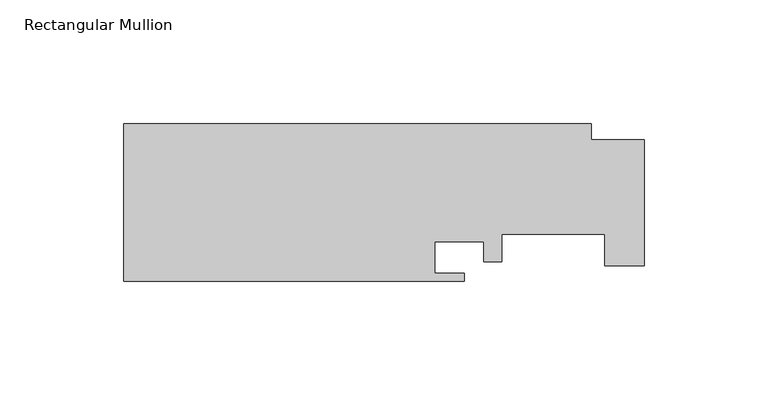
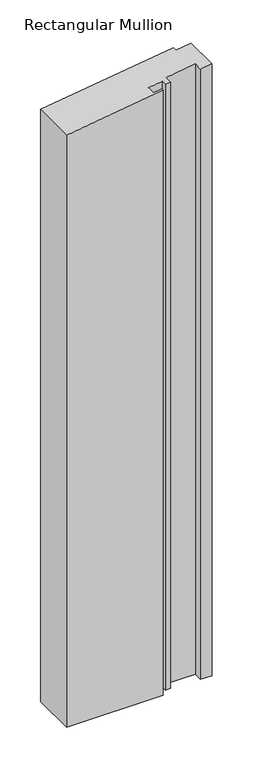
"""IFC4 building model written with IfcOpenShell, lengths in millimetres: member geometry, Rectangular Mullion."""

from ifc_helpers import new_model, si_unit, origin, place, context, project, spatial, faceted_brep, source, transform, mapped, element, save


def rectangular_mullion_c4e0d240(model_context):
    return source(origin(), model_context, "Body", "Brep", [
        faceted_brep([(-189.3014375, -19.05, -914.4), (-189.3014375, 44.45, -914.4), (-0.6556375, 44.45, -914.4), (-0.6556375, 38.1, -914.4), (20.6295625, 38.1, -914.4), (20.6295625, -12.7, -914.4), (4.7545625, -12.7, -914.4), (4.7545625, 0.0, -914.4), (-36.9014375, 0.0, -914.4), (-36.9014375, -11.1252, -914.4), (-44.0642375, -11.1252, -914.4), (-44.0642375, -3.175, -914.4), (-63.8762375, -3.175, -914.4), (-63.8762375, -15.875, -914.4), (-51.9636375, -15.875, -914.4), (-51.9636375, -19.05, -914.4), (-189.3014375, -19.05, -26.604582), (-189.3014375, 44.45, -26.604582), (-51.9636375, -19.05, -7.303013), (-51.9636375, -15.875, -7.303013), (-63.8762375, -15.875, -8.9772197), (-63.8762375, -3.175, -8.9772197), (-44.0642375, -3.175, -6.1928247), (-44.0642375, -11.1252, -6.1928247), (-36.9014375, -11.1252, -5.1861588), (-36.9014375, 0.0, -5.1861588), (4.7545625, 0.0, 0.6682102), (4.7545625, -12.7, 0.6682102), (20.6295625, -12.7, 2.8992959), (20.6295625, 38.1, 2.8992959), (-0.6556375, 38.1, -0.0921438), (-0.6556375, 44.45, -0.0921438)], [[[0, 1, 2, 3, 4, 5, 6, 7, 8, 9, 10, 11, 12, 13, 14, 15]], [[16, 17, 1, 0]], [[18, 16, 0, 15]], [[19, 18, 15, 14]], [[20, 19, 14, 13]], [[21, 20, 13, 12]], [[22, 21, 12, 11]], [[23, 22, 11, 10]], [[24, 23, 10, 9]], [[25, 24, 9, 8]], [[26, 25, 8, 7]], [[27, 26, 7, 6]], [[28, 27, 6, 5]], [[29, 28, 5, 4]], [[30, 29, 4, 3]], [[31, 30, 3, 2]], [[17, 31, 2, 1]], [[16, 18, 19, 20, 21, 22, 23, 24, 25, 26, 27, 28, 29, 30, 31, 17]]]),
    ])


if __name__ == "__main__":
    model = new_model("IFC4")
    model_context = context("Model", 3, world=origin())
    ifc_project = project(units=[si_unit("LENGTHUNIT", "METRE", prefix="MILLI")], contexts=[model_context])
    site = spatial("IfcSite", under=ifc_project)
    building = spatial("IfcBuilding", under=site)
    placement = place(None, origin())
    rectangular_mullion_shape = rectangular_mullion_c4e0d240(model_context)
    element("IfcMember", 1, ObjectType="Rectangular Mullion", at=placement, inside=building, context=model_context, shape_type="MappedRepresentation", body=[
        mapped(rectangular_mullion_shape, transform((0.0, 0.0, 0.0), x_axis=(1.0, 0.0, 0.0), y_axis=(0.0, 1.0, 0.0), z_axis=(0.0, 0.0, 1.0))),
    ])
    save(model, "model.ifc")
